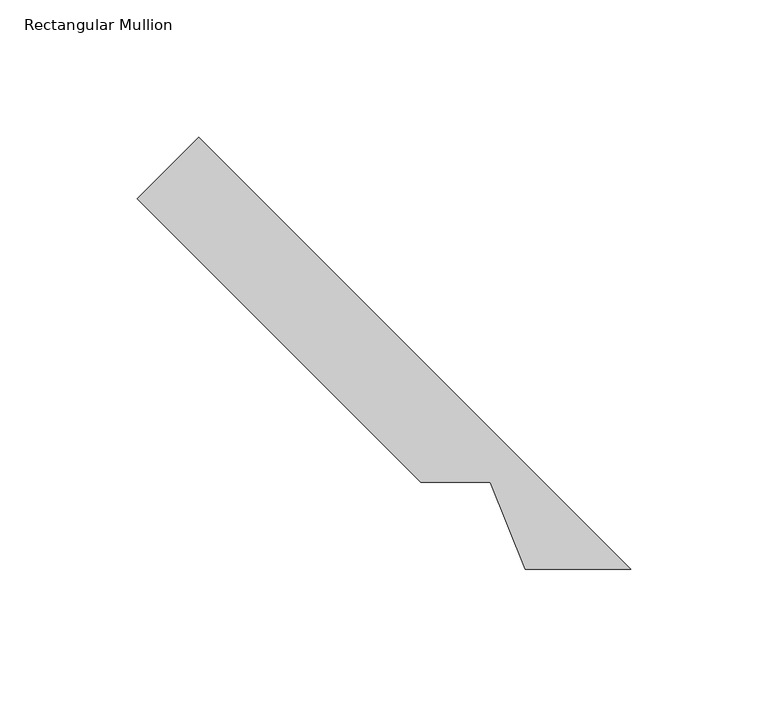
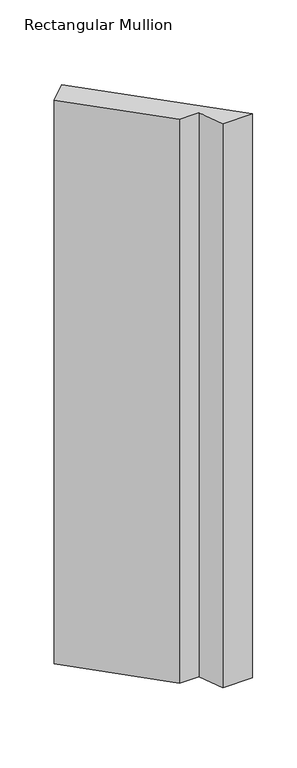
"""IFC4 building model written with IfcOpenShell, lengths in millimetres: member geometry, Rectangular Mullion."""

from ifc_helpers import new_model, si_unit, frame, origin, place, context, project, spatial, polyline, outline, extrude, source, transform, mapped, element, save


def rectangular_mullion_2ac55eb3(model_context):
    return source(origin(), model_context, "Body", "SweptSolid", [
        extrude(outline(polyline([(-19.84375, 19.84375), (-58.2810256, 19.84375), (-71.1088583, 51.59375), (-96.4950306, 51.59375), (-199.7859365, 154.8846559), (-177.3352962, 177.3352962), (-19.84375, 19.84375)])), frame((0.0, 0.0, -774.7), z_axis=(0.0, 0.0, 1.0), x_axis=(1.0, 0.0, 0.0)), (0.0, 0.0, 1.0), 774.7),
    ])


if __name__ == "__main__":
    model = new_model("IFC4")
    model_context = context("Model", 3, world=origin())
    ifc_project = project(units=[si_unit("LENGTHUNIT", "METRE", prefix="MILLI")], contexts=[model_context])
    site = spatial("IfcSite", under=ifc_project)
    building = spatial("IfcBuilding", under=site)
    placement = place(None, origin())
    rectangular_mullion_shape = rectangular_mullion_2ac55eb3(model_context)
    element("IfcMember", 1, ObjectType="Rectangular Mullion", at=placement, inside=building, context=model_context, shape_type="MappedRepresentation", body=[
        mapped(rectangular_mullion_shape, transform((0.0, 0.0, 0.0), x_axis=(1.0, 0.0, 0.0), y_axis=(0.0, 1.0, 0.0), z_axis=(0.0, 0.0, 1.0))),
    ])
    save(model, "model.ifc")
